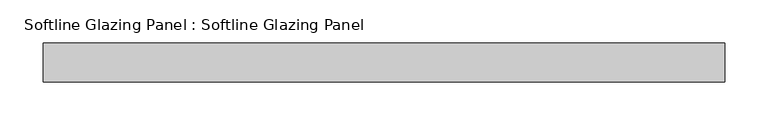
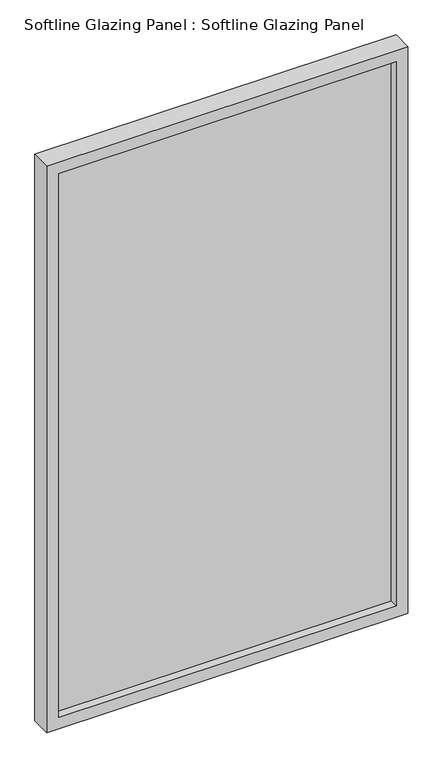
"""IFC4 building model written with IfcOpenShell, lengths in millimetres: plate geometry, Softline Glazing Panel : Softline Glazing Panel."""

from ifc_helpers import new_model, si_unit, frame, origin, place, context, project, spatial, polyline, outline, extrude, faceted_brep, source, transform, mapped, element, save


def softline_glazing_panel_softline_glazing_panel_86ec135e(model_context):
    return source(origin(), model_context, "Body", "SolidModel", [
        extrude(outline(polyline([(378.4166667, 4.0), (378.4166667, -4.0), (-378.4166667, -4.0), (-378.4166667, 4.0), (378.4166667, 4.0)])), frame((0.0, 0.0, 16.0), z_axis=(0.0, 0.0, 1.0), x_axis=(1.0, 0.0, 0.0)), (0.0, 0.0, 1.0), 1277.0),
        faceted_brep([(368.4166667, 4.0, 26.0), (368.4166667, 22.5, 26.0), (-368.4166667, 22.5, 26.0), (-368.4166667, 4.0, 26.0), (378.4166667, -4.0, 16.0), (378.4166667, 4.0, 16.0), (-378.4166667, 4.0, 16.0), (-378.4166667, -4.0, 16.0), (368.4166667, -22.5, 26.0), (368.4166667, -4.0, 26.0), (-368.4166667, -4.0, 26.0), (-368.4166667, -22.5, 26.0), (394.4166667, 22.5, 0.0), (394.4166667, -22.5, 0.0), (-394.4166667, -22.5, 0.0), (-394.4166667, 22.5, 0.0), (-368.4166667, 22.5, 1283.0), (-368.4166667, 4.0, 1283.0), (-378.4166667, 4.0, 1293.0), (-378.4166667, -4.0, 1293.0), (-368.4166667, -4.0, 1283.0), (-368.4166667, -22.5, 1283.0), (-394.4166667, -22.5, 1309.0), (-394.4166667, 22.5, 1309.0), (368.4166667, 22.5, 1283.0), (368.4166667, 4.0, 1283.0), (378.4166667, 4.0, 1293.0), (378.4166667, -4.0, 1293.0), (368.4166667, -4.0, 1283.0), (368.4166667, -22.5, 1283.0), (394.4166667, -22.5, 1309.0), (394.4166667, 22.5, 1309.0)], [[[0, 1, 2, 3]], [[4, 5, 6, 7]], [[8, 9, 10, 11]], [[12, 13, 14, 15]], [[3, 2, 16, 17]], [[7, 6, 18, 19]], [[11, 10, 20, 21]], [[15, 14, 22, 23]], [[17, 16, 24, 25]], [[19, 18, 26, 27]], [[21, 20, 28, 29]], [[23, 22, 30, 31]], [[15, 23, 31, 12], [1, 24, 16, 2]], [[25, 24, 1, 0]], [[5, 26, 18, 6], [3, 17, 25, 0]], [[27, 26, 5, 4]], [[7, 19, 27, 4], [9, 28, 20, 10]], [[29, 28, 9, 8]], [[13, 30, 22, 14], [11, 21, 29, 8]], [[31, 30, 13, 12]]]),
    ])


if __name__ == "__main__":
    model = new_model("IFC4")
    model_context = context("Model", 3, world=origin())
    ifc_project = project(units=[si_unit("LENGTHUNIT", "METRE", prefix="MILLI")], contexts=[model_context])
    site = spatial("IfcSite", under=ifc_project)
    building = spatial("IfcBuilding", under=site)
    placement = place(None, origin())
    softline_glazing_panel_softline_glazing_panel_shape = softline_glazing_panel_softline_glazing_panel_86ec135e(model_context)
    element("IfcPlate", 1, ObjectType="Softline Glazing Panel : Softline Glazing Panel", at=placement, inside=building, context=model_context, shape_type="MappedRepresentation", body=[
        mapped(softline_glazing_panel_softline_glazing_panel_shape, transform((0.0, 0.0, 0.0), x_axis=(1.0, 0.0, 0.0), y_axis=(0.0, 1.0, 0.0), z_axis=(0.0, 0.0, 1.0))),
    ])
    save(model, "model.ifc")
